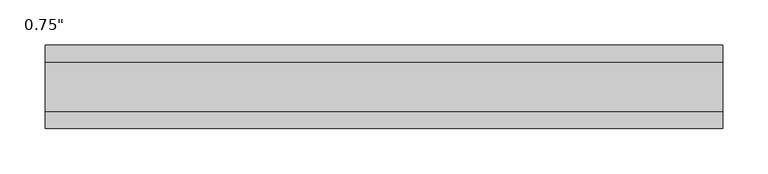
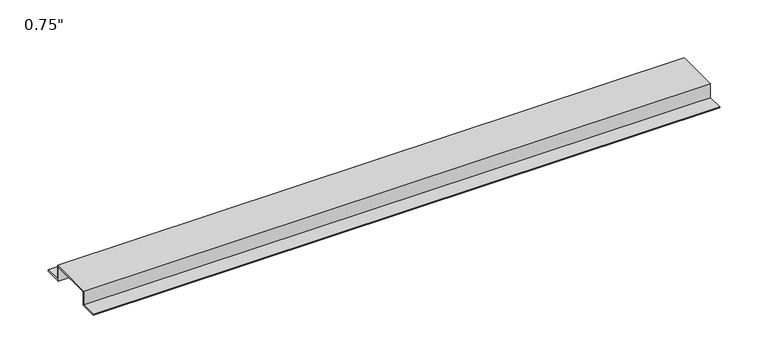
"""IFC4 building model written with IfcOpenShell, lengths in millimetres: proxy geometry."""

from ifc_helpers import new_model, si_unit, frame, origin, place, context, project, spatial, polyline, outline, extrude, source, transform, mapped, element, save


def proxy_4955277a(model_context):
    return source(origin(), model_context, "Body", "SweptSolid", [
        extrude(outline(polyline([(46.0559645, -17.4625), (25.4, -17.4625), (25.4, 0.0), (-25.4, 0.0), (-25.4, -17.4625), (-46.0559645, -17.4625), (-46.0559645, -15.8492), (-27.0129, -15.8492), (-27.0129, 1.6129), (27.0129, 1.6129), (27.0129, -15.8492), (46.0559645, -15.8492), (46.0559645, -17.4625)])), frame((0.0, 0.0, 0.0), z_axis=(1.0, 0.0, 0.0), x_axis=(0.0, 1.0, 0.0)), (0.0, 0.0, 1.0), 746.0880709),
    ])


if __name__ == "__main__":
    model = new_model("IFC4")
    model_context = context("Model", 3, world=origin())
    ifc_project = project(units=[si_unit("LENGTHUNIT", "METRE", prefix="MILLI")], contexts=[model_context])
    site = spatial("IfcSite", under=ifc_project)
    building = spatial("IfcBuilding", under=site)
    placement = place(None, origin())
    proxy_shape = proxy_4955277a(model_context)
    element("IfcBuildingElementProxy", 1, Name="0.75\"", ObjectType="0.75\"", at=placement, inside=building, context=model_context, shape_type="MappedRepresentation", body=[
        mapped(proxy_shape, transform((0.0, 0.0, 0.0), x_axis=(1.0, 0.0, 0.0), y_axis=(0.0, 1.0, 0.0), z_axis=(0.0, 0.0, 1.0))),
    ])
    save(model, "model.ifc")
